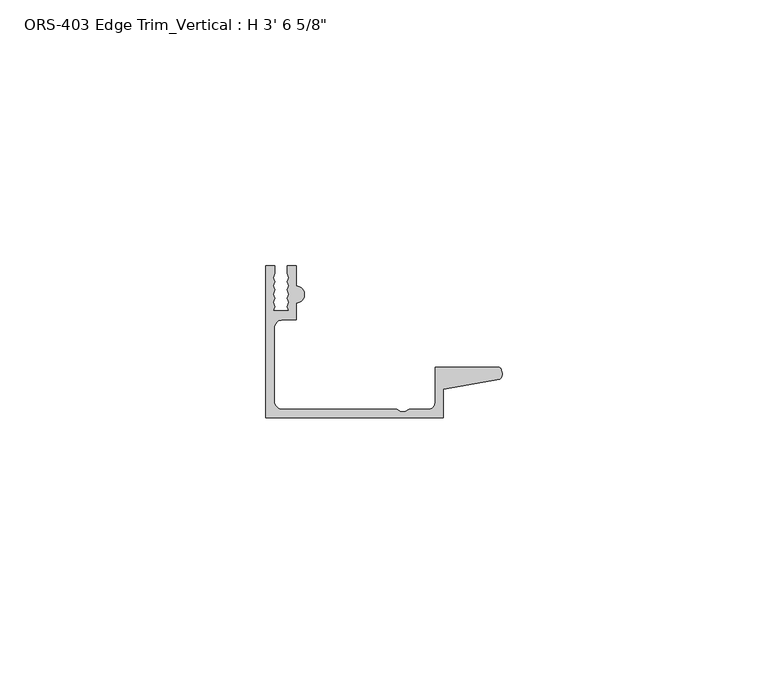
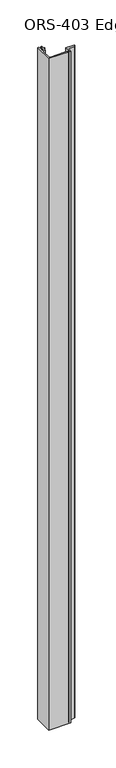
"""IFC4 building model written with IfcOpenShell, lengths in millimetres: proxy geometry."""

from ifc_helpers import new_model, si_unit, point, frame_2d, origin, origin_with_axes, place, context, project, spatial, polyline, circle_curve, trimmed, segment, composite_curve, outline, extrude, source, transform, mapped, element, save


def proxy_b205aa0e(model_context):
    return source(origin(), model_context, "Body", "SweptSolid", [
        extrude(outline(composite_curve([segment(polyline([(0.0, -19.6849659), (0.0, 8.8900341), (1.6395301, 8.8900341), (1.6395301, 7.4768015), (1.3857004, 6.695594), (1.6395301, 5.9143865), (1.3857004, 5.133179), (1.6395301, 4.3519716), (1.3857004, 3.5707641), (1.6395301, 2.7895566), (1.3857004, 2.0083491), (1.6395301, 1.2271416), (1.3857004, 0.4459342), (4.3039002, 0.4459342), (4.0500705, 1.2271416), (4.3039002, 2.0083491), (4.0500705, 2.7895566), (4.3039002, 3.5707641), (4.0500705, 4.3519716), (4.3039002, 5.133179), (4.0500705, 5.9143865), (4.3039002, 6.695594), (4.0500705, 7.4768015), (4.0500705, 8.8900341), (5.6896, 8.8900341), (5.6896, 5.0673341)]), True, "CONTINUOUS"), segment(trimmed(circle_curve(frame_2d((5.6896, 3.4925341)), 1.5748), [point((5.6896, 5.0673341))], [point((5.6896, 1.9177341))], False, "CARTESIAN"), True, "CONTINUOUS"), segment(polyline([(5.6896, 1.9177341), (5.6896, -1.2699659), (3.1623, -1.2699659)]), True, "CONTINUOUS"), segment(trimmed(circle_curve(frame_2d((3.1623, -2.8574659)), 1.5875), [point((3.1623, -1.2699659))], [point((1.5748, -2.8574659))], True, "CARTESIAN"), True, "CONTINUOUS"), segment(polyline([(1.5748, -2.8574659), (1.5748, -16.5226659)]), True, "CONTINUOUS"), segment(trimmed(circle_curve(frame_2d((3.1623, -16.5226659)), 1.5875), [point((1.5748, -16.5226659))], [point((3.1623, -18.1101659))], True, "CARTESIAN"), True, "CONTINUOUS"), segment(polyline([(3.1623, -18.1101659), (24.5876618, -18.1101659), (25.3762055, -18.5286393), (26.1600648, -18.5286393), (26.9486086, -18.1101659), (30.5703698, -18.1101659)]), True, "CONTINUOUS"), segment(trimmed(circle_curve(frame_2d((30.5703698, -16.8401659)), 1.27), [point((30.5703698, -18.1101659))], [point((31.8403698, -16.8401659))], True, "CARTESIAN"), True, "CONTINUOUS"), segment(polyline([(31.8403698, -16.8401659), (31.8403698, -10.1599659), (43.9251729, -10.1599659)]), True, "CONTINUOUS"), segment(trimmed(circle_curve(frame_2d((42.8344152, -11.3526424)), 1.6162393), [point((43.9251729, -10.1599659))], [point((43.9912567, -12.4813352))], False, "CARTESIAN"), True, "CONTINUOUS"), segment(polyline([(43.9912567, -12.4813352), (33.4151698, -14.292309), (33.4151698, -19.6849659), (0.0, -19.6849659)]), True, "CONTINUOUS")], self_intersect=False)), origin_with_axes(), (0.0, 0.0, 1.0), 1082.675),
    ])


if __name__ == "__main__":
    model = new_model("IFC4")
    model_context = context("Model", 3, world=origin())
    ifc_project = project(units=[si_unit("LENGTHUNIT", "METRE", prefix="MILLI")], contexts=[model_context])
    site = spatial("IfcSite", under=ifc_project)
    building = spatial("IfcBuilding", under=site)
    placement = place(None, origin())
    proxy_shape = proxy_b205aa0e(model_context)
    element("IfcBuildingElementProxy", 1, Name="ORS-403 Edge Trim_Vertical : H 3' 6 5/8\"", ObjectType="ORS-403 Edge Trim_Vertical : H 3' 6 5/8\"", at=placement, inside=building, context=model_context, shape_type="MappedRepresentation", body=[
        mapped(proxy_shape, transform((0.0, 0.0, 0.0), x_axis=(1.0, 0.0, 0.0), y_axis=(0.0, 1.0, 0.0), z_axis=(0.0, 0.0, 1.0))),
    ])
    save(model, "model.ifc")
